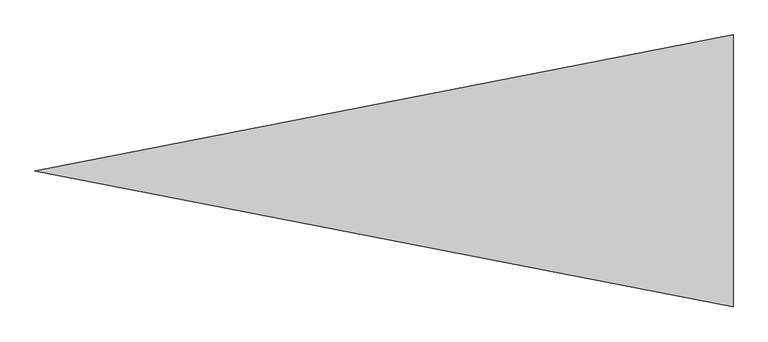
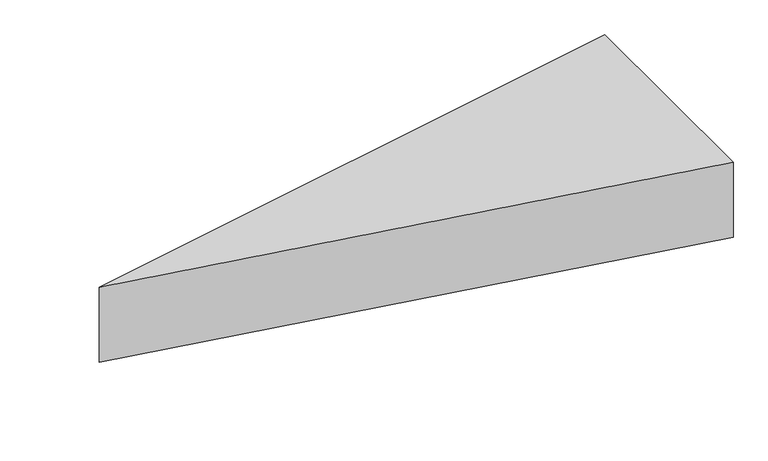
"""IFC4 building model written with IfcOpenShell, lengths in millimetres: proxy geometry."""

from ifc_helpers import new_model, si_unit, origin, origin_with_axes, place, context, project, spatial, polyline, outline, extrude, source, transform, mapped, element, save


def generic_models_470a29a7(model_context):
    return source(origin(), model_context, "Body", "SweptSolid", [
        extrude(outline(polyline([(1800.0, -350.9829914), (0.0, 0.0), (1800.0, 350.9829914), (1800.0, -350.9829914)])), origin_with_axes(), (0.0, 0.0, 1.0), 250.0),
    ])


if __name__ == "__main__":
    model = new_model("IFC4")
    model_context = context("Model", 3, world=origin())
    ifc_project = project(units=[si_unit("LENGTHUNIT", "METRE", prefix="MILLI")], contexts=[model_context])
    site = spatial("IfcSite", under=ifc_project)
    building = spatial("IfcBuilding", under=site)
    placement = place(None, origin())
    generic_models_shape = generic_models_470a29a7(model_context)
    element("IfcBuildingElementProxy", 1, Name="Generic Models", at=placement, inside=building, context=model_context, shape_type="MappedRepresentation", body=[
        mapped(generic_models_shape, transform((0.0, 0.0, 0.0), x_axis=(1.0, 0.0, 0.0), y_axis=(0.0, 1.0, 0.0), z_axis=(0.0, 0.0, 1.0))),
    ])
    save(model, "model.ifc")
